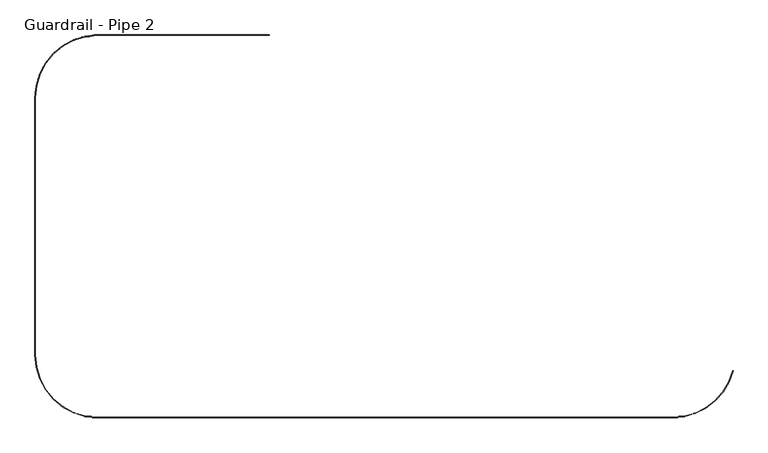
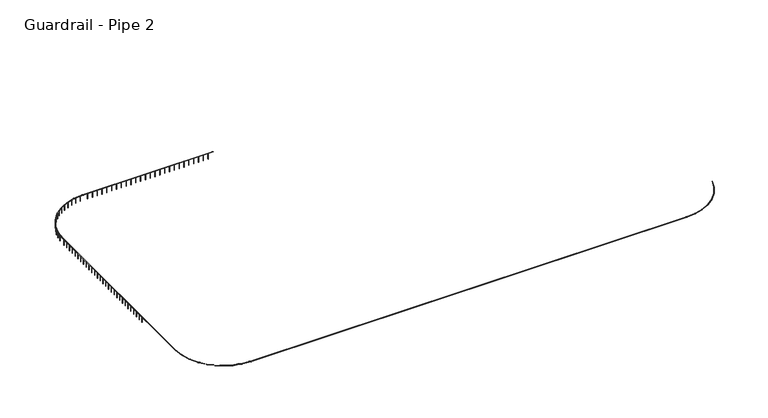
"""IFC4 building model written with IfcOpenShell, lengths in millimetres: railing geometry, Guardrail - Pipe 2."""

from ifc_helpers import new_model, si_unit, point, frame, frame_2d, origin, place, context, project, spatial, circle_curve, ellipse_curve, trimmed, segment, composite_curve, outline, extrude, source, transform, mapped, element, save
from ifc_brep_helpers import plane_surface, cylinder_surface, revolved_surface, advanced_brep


def guardrail_pipe_2_8372ee9f(model_context):
    return source(origin(), model_context, "Body", "SolidModel", [
        advanced_brep(
        [(238653.4254676, -510115.3580223, 5010.15), (244458.6904186, -505633.7852375, 5010.15), (244495.5492437, -505643.4308072, 5010.15), (238653.4254676, -510153.4580223, 5010.15), (177483.8754676, -504114.6080223, 5010.15), (183484.6254677, -510115.3580223, 5010.15), (183484.6254677, -510153.4580223, 5010.15), (177445.7754676, -504114.6080223, 5010.15), (177445.7754676, -479425.8080224, 5010.15), (177483.8754676, -479425.8080224, 5010.15), (183484.6254676, -473425.0580223, 5010.15), (183484.6254676, -473386.9580223, 5010.15), (199943.8254676, -473386.9580223, 5010.15), (199943.8254676, -473425.0580223, 5010.15)],
        [
            (0, 1, circle_curve(frame((238653.4254676, -504114.6080223, 5010.15), z_axis=(0.0, 0.0, 1.0), x_axis=(0.9674232305966814, -0.25316455696222584, 0.0)), 6000.75)),
            (1, 2, circle_curve(frame((244477.1198312, -505638.6080223, 5010.15), z_axis=(-0.253164556962237, -0.9674232305966786, 0.0), x_axis=(-0.9674232305966786, 0.253164556962237, 0.0)), 19.05)),
            (2, 3, circle_curve(frame((238653.4254676, -504114.6080223, 5010.15), z_axis=(0.0, 0.0, -1.0), x_axis=(0.9674232305966814, -0.25316455696222584, 0.0)), 6038.85)),
            (3, 0, circle_curve(frame((238653.4254676, -510134.4080223, 5010.15), z_axis=(0.9999999999999999, 0.0, 0.0), x_axis=(0.0, 0.9999999999999999, 0.0)), 19.05)),
            (2, 1, circle_curve(frame((244477.1198312, -505638.6080223, 5010.15), z_axis=(-0.25316455696223694, -0.9674232305966786, 0.0), x_axis=(-0.9674232305966786, 0.25316455696223694, 0.0)), 19.05)),
            (0, 3, circle_curve(frame((238653.4254676, -510134.4080223, 5010.15), z_axis=(1.0, 0.0, 0.0), x_axis=(0.0, 1.0, 0.0)), 19.05)),
            (4, 5, circle_curve(frame((183484.6254677, -504114.6080223, 5010.15), z_axis=(0.0, 0.0, 1.0), x_axis=(0.0, -1.0, 0.0)), 6000.75)),
            (5, 6, circle_curve(frame((183484.6254677, -510134.4080223, 5010.15), z_axis=(-1.0, 0.0, 0.0), x_axis=(0.0, 1.0, 0.0)), 19.05)),
            (6, 7, circle_curve(frame((183484.6254677, -504114.6080223, 5010.15), z_axis=(0.0, 0.0, -1.0), x_axis=(0.0, -1.0, 0.0)), 6038.85)),
            (7, 4, circle_curve(frame((177464.8254676, -504114.6080223, 5010.15), z_axis=(0.0, -1.0, 0.0), x_axis=(1.0, 0.0, 0.0)), 19.05)),
            (6, 5, circle_curve(frame((183484.6254677, -510134.4080223, 5010.15), z_axis=(-1.0, 0.0, 0.0), x_axis=(0.0, 1.0, 0.0)), 19.05)),
            (4, 7, circle_curve(frame((177464.8254676, -504114.6080223, 5010.15), z_axis=(0.0, -1.0, 0.0), x_axis=(1.0, 0.0, 0.0)), 19.05)),
            (7, 8),
            (8, 9, circle_curve(frame((177464.8254676, -479425.8080224, 5010.15), z_axis=(0.0, -1.0, 0.0), x_axis=(1.0, 0.0, 0.0)), 19.05)),
            (9, 4),
            (9, 8, circle_curve(frame((177464.8254676, -479425.8080224, 5010.15), z_axis=(0.0, -1.0, 0.0), x_axis=(1.0, 0.0, 0.0)), 19.05)),
            (10, 9, circle_curve(frame((183484.6254676, -479425.8080224, 5010.15), z_axis=(0.0, 0.0, 1.0), x_axis=(-1.0, 0.0, 0.0)), 6000.75)),
            (8, 11, circle_curve(frame((183484.6254676, -479425.8080224, 5010.15), z_axis=(0.0, 0.0, -1.0), x_axis=(-1.0, 0.0, 0.0)), 6038.85)),
            (11, 10, circle_curve(frame((183484.6254676, -473406.0080223, 5010.15), z_axis=(-1.0, 0.0, 0.0), x_axis=(0.0, -1.0, 0.0)), 19.05)),
            (10, 11, circle_curve(frame((183484.6254676, -473406.0080223, 5010.15), z_axis=(-1.0, 0.0, 0.0), x_axis=(0.0, -1.0, 0.0)), 19.05)),
            (12, 13, circle_curve(frame((199943.8254676, -473406.0080223, 5010.15), z_axis=(1.0, 0.0, 0.0), x_axis=(0.0, -1.0, 0.0)), 19.05)),
            (13, 12, circle_curve(frame((199943.8254676, -473406.0080223, 5010.15), z_axis=(1.0, 0.0, 0.0), x_axis=(0.0, -1.0, 0.0)), 19.05)),
            (11, 12),
            (13, 10),
            (3, 6),
            (5, 0),
        ],
        [
            revolved_surface(trimmed(ellipse_curve(frame((244477.1198312, -505638.6080223, 5010.15), z_axis=(0.25316455696222584, 0.9674232305966814, 0.0), x_axis=(-0.9674232305966814, 0.25316455696222584, 0.0)), 19.05, 19.05), [point((244495.5492437, -505643.4308072, 5010.15))], [point((244458.6904186, -505633.7852375, 5010.15))], True, "CARTESIAN"), (238653.4254676, -504114.6080223, 5029.2), (0.0, 0.0, -1.0)),
            revolved_surface(trimmed(ellipse_curve(frame((244477.1198312, -505638.6080223, 5010.15), z_axis=(0.25316455696222584, 0.9674232305966814, 0.0), x_axis=(-0.9674232305966814, 0.25316455696222584, 0.0)), 19.05, 19.05), [point((244458.6904186, -505633.7852375, 5010.15))], [point((244495.5492437, -505643.4308072, 5010.15))], True, "CARTESIAN"), (238653.4254676, -504114.6080223, 5029.2), (0.0, 0.0, -1.0)),
            revolved_surface(trimmed(ellipse_curve(frame((183484.6254677, -510134.4080223, 5010.15), z_axis=(1.0, 0.0, 0.0), x_axis=(0.0, 1.0, 0.0)), 19.05, 19.05), [point((183484.6254677, -510153.4580223, 5010.15))], [point((183484.6254677, -510115.3580223, 5010.15))], True, "CARTESIAN"), (183484.6254677, -504114.6080223, 5029.2), (0.0, 0.0, -1.0)),
            revolved_surface(trimmed(ellipse_curve(frame((183484.6254677, -510134.4080223, 5010.15), z_axis=(1.0, 0.0, 0.0), x_axis=(0.0, 1.0, 0.0)), 19.05, 19.05), [point((183484.6254677, -510115.3580223, 5010.15))], [point((183484.6254677, -510153.4580223, 5010.15))], True, "CARTESIAN"), (183484.6254677, -504114.6080223, 5029.2), (0.0, 0.0, -1.0)),
            cylinder_surface(frame((177464.8254676, -504114.6080223, 5010.15), z_axis=(0.0, -1.0, 0.0), x_axis=(1.0, 0.0, 0.0)), 19.05),
            revolved_surface(trimmed(ellipse_curve(frame((177464.8254676, -479425.8080224, 5010.15), z_axis=(0.0, -1.0, 0.0), x_axis=(1.0, 0.0, 0.0)), 19.05, 19.05), [point((177445.7754676, -479425.8080224, 5010.15))], [point((177483.8754676, -479425.8080224, 5010.15))], True, "CARTESIAN"), (183484.6254676, -479425.8080224, 5029.2), (0.0, 0.0, -1.0)),
            revolved_surface(trimmed(ellipse_curve(frame((177464.8254676, -479425.8080224, 5010.15), z_axis=(0.0, -1.0, 0.0), x_axis=(1.0, 0.0, 0.0)), 19.05, 19.05), [point((177483.8754676, -479425.8080224, 5010.15))], [point((177445.7754676, -479425.8080224, 5010.15))], True, "CARTESIAN"), (183484.6254676, -479425.8080224, 5029.2), (0.0, 0.0, -1.0)),
            plane_surface(frame((199943.8254676, -473406.0080223, 5029.2), z_axis=(1.0, 0.0, 0.0), x_axis=(0.0, 1.0, 0.0))),
            cylinder_surface(frame((183484.6254676, -473406.0080223, 5010.15), z_axis=(-1.0, 0.0, 0.0), x_axis=(0.0, -1.0, 0.0)), 19.05),
            cylinder_surface(frame((238653.4254676, -510134.4080223, 5010.15), z_axis=(1.0, 0.0, 0.0), x_axis=(0.0, 1.0, 0.0)), 19.05),
            plane_surface(frame((244477.1198312, -505638.6080223, 5029.2), z_axis=(0.25316455696222584, 0.9674232305966814, 0.0), x_axis=(0.9674232305966814, -0.25316455696222584, 0.0))),
        ],
        [
            (0, [[1, 2, 3, 4]]),
            (1, [[-3, 5, -1, 6]]),
            (2, [[7, 8, 9, 10]]),
            (3, [[-9, 11, -7, 12]]),
            (4, [[-10, 13, 14, 15]]),
            (4, [[-12, -15, 16, -13]]),
            (5, [[17, -14, 18, 19]]),
            (6, [[-18, -16, -17, 20]]),
            (7, [[21, 22]]),
            (8, [[-19, 23, -22, 24]]),
            (8, [[-20, -24, -21, -23]]),
            (9, [[-4, 25, -8, 26]]),
            (9, [[-6, -26, -11, -25]]),
            (10, [[-2, -5]]),
        ],
    ),
        extrude(outline(composite_curve([segment(trimmed(circle_curve(frame_2d((199334.2254676, -473406.0080223)), 12.7), [point((199334.2254676, -473393.3080223))], [point((199334.2254676, -473418.7080223))], False, "CARTESIAN"), True, "CONTINUOUS"), segment(trimmed(circle_curve(frame_2d((199334.2254676, -473406.0080223)), 12.7), [point((199334.2254676, -473418.7080223))], [point((199334.2254676, -473393.3080223))], False, "CARTESIAN"), True, "CONTINUOUS")], self_intersect=False)), frame((0.0, 0.0, 4267.2), z_axis=(0.0, 0.0, 1.0), x_axis=(1.0, 0.0, 0.0)), (0.0, 0.0, 1.0), 723.9),
        extrude(outline(composite_curve([segment(trimmed(circle_curve(frame_2d((198724.6254676, -473406.0080223)), 12.7), [point((198724.6254676, -473393.3080223))], [point((198724.6254676, -473418.7080223))], False, "CARTESIAN"), True, "CONTINUOUS"), segment(trimmed(circle_curve(frame_2d((198724.6254676, -473406.0080223)), 12.7), [point((198724.6254676, -473418.7080223))], [point((198724.6254676, -473393.3080223))], False, "CARTESIAN"), True, "CONTINUOUS")], self_intersect=False)), frame((0.0, 0.0, 4267.2), z_axis=(0.0, 0.0, 1.0), x_axis=(1.0, 0.0, 0.0)), (0.0, 0.0, 1.0), 723.9),
        extrude(outline(composite_curve([segment(trimmed(circle_curve(frame_2d((198115.0254676, -473406.0080223)), 12.7), [point((198115.0254676, -473393.3080223))], [point((198115.0254676, -473418.7080223))], False, "CARTESIAN"), True, "CONTINUOUS"), segment(trimmed(circle_curve(frame_2d((198115.0254676, -473406.0080223)), 12.7), [point((198115.0254676, -473418.7080223))], [point((198115.0254676, -473393.3080223))], False, "CARTESIAN"), True, "CONTINUOUS")], self_intersect=False)), frame((0.0, 0.0, 4267.2), z_axis=(0.0, 0.0, 1.0), x_axis=(1.0, 0.0, 0.0)), (0.0, 0.0, 1.0), 723.9),
        extrude(outline(composite_curve([segment(trimmed(circle_curve(frame_2d((197505.4254676, -473406.0080223)), 12.7), [point((197505.4254676, -473393.3080223))], [point((197505.4254676, -473418.7080223))], False, "CARTESIAN"), True, "CONTINUOUS"), segment(trimmed(circle_curve(frame_2d((197505.4254676, -473406.0080223)), 12.7), [point((197505.4254676, -473418.7080223))], [point((197505.4254676, -473393.3080223))], False, "CARTESIAN"), True, "CONTINUOUS")], self_intersect=False)), frame((0.0, 0.0, 4267.2), z_axis=(0.0, 0.0, 1.0), x_axis=(1.0, 0.0, 0.0)), (0.0, 0.0, 1.0), 723.9),
        extrude(outline(composite_curve([segment(trimmed(circle_curve(frame_2d((196895.8254676, -473406.0080223)), 12.7), [point((196895.8254676, -473393.3080223))], [point((196895.8254676, -473418.7080223))], False, "CARTESIAN"), True, "CONTINUOUS"), segment(trimmed(circle_curve(frame_2d((196895.8254676, -473406.0080223)), 12.7), [point((196895.8254676, -473418.7080223))], [point((196895.8254676, -473393.3080223))], False, "CARTESIAN"), True, "CONTINUOUS")], self_intersect=False)), frame((0.0, 0.0, 4267.2), z_axis=(0.0, 0.0, 1.0), x_axis=(1.0, 0.0, 0.0)), (0.0, 0.0, 1.0), 723.9),
        extrude(outline(composite_curve([segment(trimmed(circle_curve(frame_2d((196286.2254676, -473406.0080223)), 12.7), [point((196286.2254676, -473393.3080223))], [point((196286.2254676, -473418.7080223))], False, "CARTESIAN"), True, "CONTINUOUS"), segment(trimmed(circle_curve(frame_2d((196286.2254676, -473406.0080223)), 12.7), [point((196286.2254676, -473418.7080223))], [point((196286.2254676, -473393.3080223))], False, "CARTESIAN"), True, "CONTINUOUS")], self_intersect=False)), frame((0.0, 0.0, 4267.2), z_axis=(0.0, 0.0, 1.0), x_axis=(1.0, 0.0, 0.0)), (0.0, 0.0, 1.0), 723.9),
        extrude(outline(composite_curve([segment(trimmed(circle_curve(frame_2d((195676.6254676, -473406.0080223)), 12.7), [point((195676.6254676, -473393.3080223))], [point((195676.6254676, -473418.7080223))], False, "CARTESIAN"), True, "CONTINUOUS"), segment(trimmed(circle_curve(frame_2d((195676.6254676, -473406.0080223)), 12.7), [point((195676.6254676, -473418.7080223))], [point((195676.6254676, -473393.3080223))], False, "CARTESIAN"), True, "CONTINUOUS")], self_intersect=False)), frame((0.0, 0.0, 4267.2), z_axis=(0.0, 0.0, 1.0), x_axis=(1.0, 0.0, 0.0)), (0.0, 0.0, 1.0), 723.9),
        extrude(outline(composite_curve([segment(trimmed(circle_curve(frame_2d((195067.0254676, -473406.0080223)), 12.7), [point((195067.0254676, -473393.3080223))], [point((195067.0254676, -473418.7080223))], False, "CARTESIAN"), True, "CONTINUOUS"), segment(trimmed(circle_curve(frame_2d((195067.0254676, -473406.0080223)), 12.7), [point((195067.0254676, -473418.7080223))], [point((195067.0254676, -473393.3080223))], False, "CARTESIAN"), True, "CONTINUOUS")], self_intersect=False)), frame((0.0, 0.0, 4267.2), z_axis=(0.0, 0.0, 1.0), x_axis=(1.0, 0.0, 0.0)), (0.0, 0.0, 1.0), 723.9),
        extrude(outline(composite_curve([segment(trimmed(circle_curve(frame_2d((194457.4254676, -473406.0080223)), 12.7), [point((194457.4254676, -473393.3080223))], [point((194457.4254676, -473418.7080223))], False, "CARTESIAN"), True, "CONTINUOUS"), segment(trimmed(circle_curve(frame_2d((194457.4254676, -473406.0080223)), 12.7), [point((194457.4254676, -473418.7080223))], [point((194457.4254676, -473393.3080223))], False, "CARTESIAN"), True, "CONTINUOUS")], self_intersect=False)), frame((0.0, 0.0, 4267.2), z_axis=(0.0, 0.0, 1.0), x_axis=(1.0, 0.0, 0.0)), (0.0, 0.0, 1.0), 723.9),
        extrude(outline(composite_curve([segment(trimmed(circle_curve(frame_2d((193847.8254676, -473406.0080223)), 12.7), [point((193847.8254676, -473393.3080223))], [point((193847.8254676, -473418.7080223))], False, "CARTESIAN"), True, "CONTINUOUS"), segment(trimmed(circle_curve(frame_2d((193847.8254676, -473406.0080223)), 12.7), [point((193847.8254676, -473418.7080223))], [point((193847.8254676, -473393.3080223))], False, "CARTESIAN"), True, "CONTINUOUS")], self_intersect=False)), frame((0.0, 0.0, 4267.2), z_axis=(0.0, 0.0, 1.0), x_axis=(1.0, 0.0, 0.0)), (0.0, 0.0, 1.0), 723.9),
        extrude(outline(composite_curve([segment(trimmed(circle_curve(frame_2d((193238.2254676, -473406.0080223)), 12.7), [point((193238.2254676, -473393.3080223))], [point((193238.2254676, -473418.7080223))], False, "CARTESIAN"), True, "CONTINUOUS"), segment(trimmed(circle_curve(frame_2d((193238.2254676, -473406.0080223)), 12.7), [point((193238.2254676, -473418.7080223))], [point((193238.2254676, -473393.3080223))], False, "CARTESIAN"), True, "CONTINUOUS")], self_intersect=False)), frame((0.0, 0.0, 4267.2), z_axis=(0.0, 0.0, 1.0), x_axis=(1.0, 0.0, 0.0)), (0.0, 0.0, 1.0), 723.9),
        extrude(outline(composite_curve([segment(trimmed(circle_curve(frame_2d((192628.6254676, -473406.0080223)), 12.7), [point((192628.6254676, -473393.3080223))], [point((192628.6254676, -473418.7080223))], False, "CARTESIAN"), True, "CONTINUOUS"), segment(trimmed(circle_curve(frame_2d((192628.6254676, -473406.0080223)), 12.7), [point((192628.6254676, -473418.7080223))], [point((192628.6254676, -473393.3080223))], False, "CARTESIAN"), True, "CONTINUOUS")], self_intersect=False)), frame((0.0, 0.0, 4267.2), z_axis=(0.0, 0.0, 1.0), x_axis=(1.0, 0.0, 0.0)), (0.0, 0.0, 1.0), 723.9),
        extrude(outline(composite_curve([segment(trimmed(circle_curve(frame_2d((192019.0254676, -473406.0080223)), 12.7), [point((192019.0254676, -473393.3080223))], [point((192019.0254676, -473418.7080223))], False, "CARTESIAN"), True, "CONTINUOUS"), segment(trimmed(circle_curve(frame_2d((192019.0254676, -473406.0080223)), 12.7), [point((192019.0254676, -473418.7080223))], [point((192019.0254676, -473393.3080223))], False, "CARTESIAN"), True, "CONTINUOUS")], self_intersect=False)), frame((0.0, 0.0, 4267.2), z_axis=(0.0, 0.0, 1.0), x_axis=(1.0, 0.0, 0.0)), (0.0, 0.0, 1.0), 723.9),
        extrude(outline(composite_curve([segment(trimmed(circle_curve(frame_2d((191409.4254676, -473406.0080223)), 12.7), [point((191409.4254676, -473393.3080223))], [point((191409.4254676, -473418.7080223))], False, "CARTESIAN"), True, "CONTINUOUS"), segment(trimmed(circle_curve(frame_2d((191409.4254676, -473406.0080223)), 12.7), [point((191409.4254676, -473418.7080223))], [point((191409.4254676, -473393.3080223))], False, "CARTESIAN"), True, "CONTINUOUS")], self_intersect=False)), frame((0.0, 0.0, 4267.2), z_axis=(0.0, 0.0, 1.0), x_axis=(1.0, 0.0, 0.0)), (0.0, 0.0, 1.0), 723.9),
        extrude(outline(composite_curve([segment(trimmed(circle_curve(frame_2d((190799.8254676, -473406.0080223)), 12.7), [point((190799.8254676, -473393.3080223))], [point((190799.8254676, -473418.7080223))], False, "CARTESIAN"), True, "CONTINUOUS"), segment(trimmed(circle_curve(frame_2d((190799.8254676, -473406.0080223)), 12.7), [point((190799.8254676, -473418.7080223))], [point((190799.8254676, -473393.3080223))], False, "CARTESIAN"), True, "CONTINUOUS")], self_intersect=False)), frame((0.0, 0.0, 4267.2), z_axis=(0.0, 0.0, 1.0), x_axis=(1.0, 0.0, 0.0)), (0.0, 0.0, 1.0), 723.9),
        extrude(outline(composite_curve([segment(trimmed(circle_curve(frame_2d((190190.2254676, -473406.0080223)), 12.7), [point((190190.2254676, -473393.3080223))], [point((190190.2254676, -473418.7080223))], False, "CARTESIAN"), True, "CONTINUOUS"), segment(trimmed(circle_curve(frame_2d((190190.2254676, -473406.0080223)), 12.7), [point((190190.2254676, -473418.7080223))], [point((190190.2254676, -473393.3080223))], False, "CARTESIAN"), True, "CONTINUOUS")], self_intersect=False)), frame((0.0, 0.0, 4267.2), z_axis=(0.0, 0.0, 1.0), x_axis=(1.0, 0.0, 0.0)), (0.0, 0.0, 1.0), 723.9),
        extrude(outline(composite_curve([segment(trimmed(circle_curve(frame_2d((189580.6254676, -473406.0080223)), 12.7), [point((189580.6254676, -473393.3080223))], [point((189580.6254676, -473418.7080223))], False, "CARTESIAN"), True, "CONTINUOUS"), segment(trimmed(circle_curve(frame_2d((189580.6254676, -473406.0080223)), 12.7), [point((189580.6254676, -473418.7080223))], [point((189580.6254676, -473393.3080223))], False, "CARTESIAN"), True, "CONTINUOUS")], self_intersect=False)), frame((0.0, 0.0, 4267.2), z_axis=(0.0, 0.0, 1.0), x_axis=(1.0, 0.0, 0.0)), (0.0, 0.0, 1.0), 723.9),
        extrude(outline(composite_curve([segment(trimmed(circle_curve(frame_2d((188971.0254676, -473406.0080223)), 12.7), [point((188971.0254676, -473393.3080223))], [point((188971.0254676, -473418.7080223))], False, "CARTESIAN"), True, "CONTINUOUS"), segment(trimmed(circle_curve(frame_2d((188971.0254676, -473406.0080223)), 12.7), [point((188971.0254676, -473418.7080223))], [point((188971.0254676, -473393.3080223))], False, "CARTESIAN"), True, "CONTINUOUS")], self_intersect=False)), frame((0.0, 0.0, 4267.2), z_axis=(0.0, 0.0, 1.0), x_axis=(1.0, 0.0, 0.0)), (0.0, 0.0, 1.0), 723.9),
        extrude(outline(composite_curve([segment(trimmed(circle_curve(frame_2d((188361.4254676, -473406.0080223)), 12.7), [point((188361.4254676, -473393.3080223))], [point((188361.4254676, -473418.7080223))], False, "CARTESIAN"), True, "CONTINUOUS"), segment(trimmed(circle_curve(frame_2d((188361.4254676, -473406.0080223)), 12.7), [point((188361.4254676, -473418.7080223))], [point((188361.4254676, -473393.3080223))], False, "CARTESIAN"), True, "CONTINUOUS")], self_intersect=False)), frame((0.0, 0.0, 4267.2), z_axis=(0.0, 0.0, 1.0), x_axis=(1.0, 0.0, 0.0)), (0.0, 0.0, 1.0), 723.9),
        extrude(outline(composite_curve([segment(trimmed(circle_curve(frame_2d((187751.8254676, -473406.0080223)), 12.7), [point((187751.8254676, -473393.3080223))], [point((187751.8254676, -473418.7080223))], False, "CARTESIAN"), True, "CONTINUOUS"), segment(trimmed(circle_curve(frame_2d((187751.8254676, -473406.0080223)), 12.7), [point((187751.8254676, -473418.7080223))], [point((187751.8254676, -473393.3080223))], False, "CARTESIAN"), True, "CONTINUOUS")], self_intersect=False)), frame((0.0, 0.0, 4267.2), z_axis=(0.0, 0.0, 1.0), x_axis=(1.0, 0.0, 0.0)), (0.0, 0.0, 1.0), 723.9),
        extrude(outline(composite_curve([segment(trimmed(circle_curve(frame_2d((187142.2254676, -473406.0080223)), 12.7), [point((187142.2254676, -473393.3080223))], [point((187142.2254676, -473418.7080223))], False, "CARTESIAN"), True, "CONTINUOUS"), segment(trimmed(circle_curve(frame_2d((187142.2254676, -473406.0080223)), 12.7), [point((187142.2254676, -473418.7080223))], [point((187142.2254676, -473393.3080223))], False, "CARTESIAN"), True, "CONTINUOUS")], self_intersect=False)), frame((0.0, 0.0, 4267.2), z_axis=(0.0, 0.0, 1.0), x_axis=(1.0, 0.0, 0.0)), (0.0, 0.0, 1.0), 723.9),
        extrude(outline(composite_curve([segment(trimmed(circle_curve(frame_2d((186532.6254676, -473406.0080223)), 12.7), [point((186532.6254676, -473393.3080223))], [point((186532.6254676, -473418.7080223))], False, "CARTESIAN"), True, "CONTINUOUS"), segment(trimmed(circle_curve(frame_2d((186532.6254676, -473406.0080223)), 12.7), [point((186532.6254676, -473418.7080223))], [point((186532.6254676, -473393.3080223))], False, "CARTESIAN"), True, "CONTINUOUS")], self_intersect=False)), frame((0.0, 0.0, 4267.2), z_axis=(0.0, 0.0, 1.0), x_axis=(1.0, 0.0, 0.0)), (0.0, 0.0, 1.0), 723.9),
        extrude(outline(composite_curve([segment(trimmed(circle_curve(frame_2d((185923.0254676, -473406.0080223)), 12.7), [point((185923.0254676, -473393.3080223))], [point((185923.0254676, -473418.7080223))], False, "CARTESIAN"), True, "CONTINUOUS"), segment(trimmed(circle_curve(frame_2d((185923.0254676, -473406.0080223)), 12.7), [point((185923.0254676, -473418.7080223))], [point((185923.0254676, -473393.3080223))], False, "CARTESIAN"), True, "CONTINUOUS")], self_intersect=False)), frame((0.0, 0.0, 4267.2), z_axis=(0.0, 0.0, 1.0), x_axis=(1.0, 0.0, 0.0)), (0.0, 0.0, 1.0), 723.9),
        extrude(outline(composite_curve([segment(trimmed(circle_curve(frame_2d((185313.4254676, -473406.0080223)), 12.7), [point((185313.4254676, -473393.3080223))], [point((185313.4254676, -473418.7080223))], False, "CARTESIAN"), True, "CONTINUOUS"), segment(trimmed(circle_curve(frame_2d((185313.4254676, -473406.0080223)), 12.7), [point((185313.4254676, -473418.7080223))], [point((185313.4254676, -473393.3080223))], False, "CARTESIAN"), True, "CONTINUOUS")], self_intersect=False)), frame((0.0, 0.0, 4267.2), z_axis=(0.0, 0.0, 1.0), x_axis=(1.0, 0.0, 0.0)), (0.0, 0.0, 1.0), 723.9),
        extrude(outline(composite_curve([segment(trimmed(circle_curve(frame_2d((184703.8254676, -473406.0080223)), 12.7), [point((184703.8254676, -473393.3080223))], [point((184703.8254676, -473418.7080223))], False, "CARTESIAN"), True, "CONTINUOUS"), segment(trimmed(circle_curve(frame_2d((184703.8254676, -473406.0080223)), 12.7), [point((184703.8254676, -473418.7080223))], [point((184703.8254676, -473393.3080223))], False, "CARTESIAN"), True, "CONTINUOUS")], self_intersect=False)), frame((0.0, 0.0, 4267.2), z_axis=(0.0, 0.0, 1.0), x_axis=(1.0, 0.0, 0.0)), (0.0, 0.0, 1.0), 723.9),
        extrude(outline(composite_curve([segment(trimmed(circle_curve(frame_2d((184094.2254676, -473406.0080223)), 12.7), [point((184094.2254676, -473393.3080223))], [point((184094.2254676, -473418.7080223))], False, "CARTESIAN"), True, "CONTINUOUS"), segment(trimmed(circle_curve(frame_2d((184094.2254676, -473406.0080223)), 12.7), [point((184094.2254676, -473418.7080223))], [point((184094.2254676, -473393.3080223))], False, "CARTESIAN"), True, "CONTINUOUS")], self_intersect=False)), frame((0.0, 0.0, 4267.2), z_axis=(0.0, 0.0, 1.0), x_axis=(1.0, 0.0, 0.0)), (0.0, 0.0, 1.0), 723.9),
        extrude(outline(composite_curve([segment(trimmed(circle_curve(frame_2d((183172.8852439, -473414.0853014)), 12.7), [point((183172.2275641, -473401.4023421))], [point((183173.5429237, -473426.7682608))], False, "CARTESIAN"), True, "CONTINUOUS"), segment(trimmed(circle_curve(frame_2d((183172.8852439, -473414.0853014)), 12.7), [point((183173.5429237, -473426.7682608))], [point((183172.2275641, -473401.4023421))], False, "CARTESIAN"), True, "CONTINUOUS")], self_intersect=False)), frame((0.0, 0.0, 4267.2), z_axis=(0.0, 0.0, 1.0), x_axis=(1.0, 0.0, 0.0)), (0.0, 0.0, 1.0), 723.9),
        extrude(outline(composite_curve([segment(trimmed(circle_curve(frame_2d((182566.7401954, -473476.3980796)), 12.7), [point((182564.8037286, -473463.8465818))], [point((182568.6766622, -473488.9495774))], False, "CARTESIAN"), True, "CONTINUOUS"), segment(trimmed(circle_curve(frame_2d((182566.7401954, -473476.3980796)), 12.7), [point((182568.6766622, -473488.9495774))], [point((182564.8037286, -473463.8465818))], False, "CARTESIAN"), True, "CONTINUOUS")], self_intersect=False)), frame((0.0, 0.0, 4267.2), z_axis=(0.0, 0.0, 1.0), x_axis=(1.0, 0.0, 0.0)), (0.0, 0.0, 1.0), 723.9),
        extrude(outline(composite_curve([segment(trimmed(circle_curve(frame_2d((181969.9998053, -473599.6685507)), 12.7), [point((181966.8043925, -473587.3771172))], [point((181973.1952181, -473611.9599842))], False, "CARTESIAN"), True, "CONTINUOUS"), segment(trimmed(circle_curve(frame_2d((181969.9998053, -473599.6685507)), 12.7), [point((181973.1952181, -473611.9599842))], [point((181966.8043925, -473587.3771172))], False, "CARTESIAN"), True, "CONTINUOUS")], self_intersect=False)), frame((0.0, 0.0, 4267.2), z_axis=(0.0, 0.0, 1.0), x_axis=(1.0, 0.0, 0.0)), (0.0, 0.0, 1.0), 723.9),
        extrude(outline(composite_curve([segment(trimmed(circle_curve(frame_2d((181388.7782796, -473782.6336847)), 12.7), [point((181384.3566611, -473770.7282537))], [point((181393.1998982, -473794.5391158))], False, "CARTESIAN"), True, "CONTINUOUS"), segment(trimmed(circle_curve(frame_2d((181388.7782796, -473782.6336847)), 12.7), [point((181393.1998982, -473794.5391158))], [point((181384.3566611, -473770.7282537))], False, "CARTESIAN"), True, "CONTINUOUS")], self_intersect=False)), frame((0.0, 0.0, 4267.2), z_axis=(0.0, 0.0, 1.0), x_axis=(1.0, 0.0, 0.0)), (0.0, 0.0, 1.0), 723.9),
        extrude(outline(composite_curve([segment(trimmed(circle_curve(frame_2d((180829.0308179, -474023.4188198)), 12.7), [point((180823.4282975, -474012.0213742))], [point((180834.6333382, -474034.8162653))], False, "CARTESIAN"), True, "CONTINUOUS"), segment(trimmed(circle_curve(frame_2d((180829.0308179, -474023.4188198)), 12.7), [point((180834.6333382, -474034.8162653))], [point((180823.4282975, -474012.0213742))], False, "CARTESIAN"), True, "CONTINUOUS")], self_intersect=False)), frame((0.0, 0.0, 4267.2), z_axis=(0.0, 0.0, 1.0), x_axis=(1.0, 0.0, 0.0)), (0.0, 0.0, 1.0), 723.9),
        extrude(outline(composite_curve([segment(trimmed(circle_curve(frame_2d((180296.4925962, -474319.5568697)), 12.7), [point((180289.7665774, -474308.7841879))], [point((180303.2186149, -474330.3295515))], False, "CARTESIAN"), True, "CONTINUOUS"), segment(trimmed(circle_curve(frame_2d((180296.4925962, -474319.5568697)), 12.7), [point((180303.2186149, -474330.3295515))], [point((180289.7665774, -474308.7841879))], False, "CARTESIAN"), True, "CONTINUOUS")], self_intersect=False)), frame((0.0, 0.0, 4267.2), z_axis=(0.0, 0.0, 1.0), x_axis=(1.0, 0.0, 0.0)), (0.0, 0.0, 1.0), 723.9),
        extrude(outline(composite_curve([segment(trimmed(circle_curve(frame_2d((179796.6200046, -474668.0136022)), 12.7), [point((179788.8394024, -474657.9760612))], [point((179804.4006068, -474678.0511431))], False, "CARTESIAN"), True, "CONTINUOUS"), segment(trimmed(circle_curve(frame_2d((179796.6200046, -474668.0136022)), 12.7), [point((179804.4006068, -474678.0511431))], [point((179788.8394024, -474657.9760612))], False, "CARTESIAN"), True, "CONTINUOUS")], self_intersect=False)), frame((0.0, 0.0, 4267.2), z_axis=(0.0, 0.0, 1.0), x_axis=(1.0, 0.0, 0.0)), (0.0, 0.0, 1.0), 723.9),
        extrude(outline(composite_curve([segment(trimmed(circle_curve(frame_2d((179334.534741, -475065.2187272)), 12.7), [point((179325.7792753, -475056.0191717))], [point((179343.2902067, -475074.4182827))], False, "CARTESIAN"), True, "CONTINUOUS"), segment(trimmed(circle_curve(frame_2d((179334.534741, -475065.2187272)), 12.7), [point((179343.2902067, -475074.4182827))], [point((179325.7792753, -475056.0191717))], False, "CARTESIAN"), True, "CONTINUOUS")], self_intersect=False)), frame((0.0, 0.0, 4267.2), z_axis=(0.0, 0.0, 1.0), x_axis=(1.0, 0.0, 0.0)), (0.0, 0.0, 1.0), 723.9),
        extrude(outline(composite_curve([segment(trimmed(circle_curve(frame_2d((178914.971334, -475507.1024785)), 12.7), [point((178905.3307135, -475498.8351673))], [point((178924.6119545, -475515.3697898))], False, "CARTESIAN"), True, "CONTINUOUS"), segment(trimmed(circle_curve(frame_2d((178914.971334, -475507.1024785)), 12.7), [point((178924.6119545, -475515.3697898))], [point((178905.3307135, -475498.8351673))], False, "CARTESIAN"), True, "CONTINUOUS")], self_intersect=False)), frame((0.0, 0.0, 4267.2), z_axis=(0.0, 0.0, 1.0), x_axis=(1.0, 0.0, 0.0)), (0.0, 0.0, 1.0), 723.9),
        extrude(outline(composite_curve([segment(trimmed(circle_curve(frame_2d((178542.228633, -475989.1373124)), 12.7), [point((178531.8016354, -475981.8869522))], [point((178552.6556305, -475996.3876725))], False, "CARTESIAN"), True, "CONTINUOUS"), segment(trimmed(circle_curve(frame_2d((178542.228633, -475989.1373124)), 12.7), [point((178552.6556305, -475996.3876725))], [point((178531.8016354, -475981.8869522))], False, "CARTESIAN"), True, "CONTINUOUS")], self_intersect=False)), frame((0.0, 0.0, 4267.2), z_axis=(0.0, 0.0, 1.0), x_axis=(1.0, 0.0, 0.0)), (0.0, 0.0, 1.0), 723.9),
        extrude(outline(composite_curve([segment(trimmed(circle_curve(frame_2d((178220.1257621, -476506.3842967)), 12.7), [point((178209.0192226, -476500.2251749))], [point((178231.2323015, -476512.5434184))], False, "CARTESIAN"), True, "CONTINUOUS"), segment(trimmed(circle_curve(frame_2d((178220.1257621, -476506.3842967)), 12.7), [point((178231.2323015, -476512.5434184))], [point((178209.0192226, -476500.2251749))], False, "CARTESIAN"), True, "CONTINUOUS")], self_intersect=False)), frame((0.0, 0.0, 4267.2), z_axis=(0.0, 0.0, 1.0), x_axis=(1.0, 0.0, 0.0)), (0.0, 0.0, 1.0), 723.9),
        extrude(outline(composite_curve([segment(trimmed(circle_curve(frame_2d((177951.9629894, -477053.5437154)), 12.7), [point((177940.2907057, -477048.5389384))], [point((177963.6352731, -477058.5484924))], False, "CARTESIAN"), True, "CONTINUOUS"), segment(trimmed(circle_curve(frame_2d((177951.9629894, -477053.5437154)), 12.7), [point((177963.6352731, -477058.5484924))], [point((177940.2907057, -477048.5389384))], False, "CARTESIAN"), True, "CONTINUOUS")], self_intersect=False)), frame((0.0, 0.0, 4267.2), z_axis=(0.0, 0.0, 1.0), x_axis=(1.0, 0.0, 0.0)), (0.0, 0.0, 1.0), 723.9),
        extrude(outline(composite_curve([segment(trimmed(circle_curve(frame_2d((177740.4879124, -477625.0093697)), 12.7), [point((177728.3694788, -477621.2102164))], [point((177752.6063461, -477628.808523))], False, "CARTESIAN"), True, "CONTINUOUS"), segment(trimmed(circle_curve(frame_2d((177740.4879124, -477625.0093697)), 12.7), [point((177752.6063461, -477628.808523))], [point((177728.3694788, -477621.2102164))], False, "CARTESIAN"), True, "CONTINUOUS")], self_intersect=False)), frame((0.0, 0.0, 4267.2), z_axis=(0.0, 0.0, 1.0), x_axis=(1.0, 0.0, 0.0)), (0.0, 0.0, 1.0), 723.9),
        extrude(outline(composite_curve([segment(trimmed(circle_curve(frame_2d((177587.8673063, -478214.9260187)), 12.7), [point((177575.4268882, -478212.3714153))], [point((177600.3077243, -478217.4806221))], False, "CARTESIAN"), True, "CONTINUOUS"), segment(trimmed(circle_curve(frame_2d((177587.8673063, -478214.9260187)), 12.7), [point((177600.3077243, -478217.4806221))], [point((177575.4268882, -478212.3714153))], False, "CARTESIAN"), True, "CONTINUOUS")], self_intersect=False)), frame((0.0, 0.0, 4267.2), z_axis=(0.0, 0.0, 1.0), x_axis=(1.0, 0.0, 0.0)), (0.0, 0.0, 1.0), 723.9),
        extrude(outline(composite_curve([segment(trimmed(circle_curve(frame_2d((177495.6649226, -478817.2493726)), 12.7), [point((177483.0299847, -478815.9654936))], [point((177508.2998605, -478818.5332516))], False, "CARTESIAN"), True, "CONTINUOUS"), segment(trimmed(circle_curve(frame_2d((177495.6649226, -478817.2493726)), 12.7), [point((177508.2998605, -478818.5332516))], [point((177483.0299847, -478815.9654936))], False, "CARTESIAN"), True, "CONTINUOUS")], self_intersect=False)), frame((0.0, 0.0, 4267.2), z_axis=(0.0, 0.0, 1.0), x_axis=(1.0, 0.0, 0.0)), (0.0, 0.0, 1.0), 723.9),
        extrude(outline(composite_curve([segment(trimmed(circle_curve(frame_2d((177464.8254676, -479730.6080223)), 12.7), [point((177452.1254676, -479730.6080223))], [point((177477.5254676, -479730.6080223))], False, "CARTESIAN"), True, "CONTINUOUS"), segment(trimmed(circle_curve(frame_2d((177464.8254676, -479730.6080223)), 12.7), [point((177477.5254676, -479730.6080223))], [point((177452.1254676, -479730.6080223))], False, "CARTESIAN"), True, "CONTINUOUS")], self_intersect=False)), frame((0.0, 0.0, 4267.2), z_axis=(0.0, 0.0, 1.0), x_axis=(1.0, 0.0, 0.0)), (0.0, 0.0, 1.0), 723.9),
        extrude(outline(composite_curve([segment(trimmed(circle_curve(frame_2d((177464.8254676, -480340.2080223)), 12.7), [point((177452.1254676, -480340.2080223))], [point((177477.5254676, -480340.2080223))], False, "CARTESIAN"), True, "CONTINUOUS"), segment(trimmed(circle_curve(frame_2d((177464.8254676, -480340.2080223)), 12.7), [point((177477.5254676, -480340.2080223))], [point((177452.1254676, -480340.2080223))], False, "CARTESIAN"), True, "CONTINUOUS")], self_intersect=False)), frame((0.0, 0.0, 4267.2), z_axis=(0.0, 0.0, 1.0), x_axis=(1.0, 0.0, 0.0)), (0.0, 0.0, 1.0), 723.9),
        extrude(outline(composite_curve([segment(trimmed(circle_curve(frame_2d((177464.8254676, -480949.8080223)), 12.7), [point((177452.1254676, -480949.8080223))], [point((177477.5254676, -480949.8080223))], False, "CARTESIAN"), True, "CONTINUOUS"), segment(trimmed(circle_curve(frame_2d((177464.8254676, -480949.8080223)), 12.7), [point((177477.5254676, -480949.8080223))], [point((177452.1254676, -480949.8080223))], False, "CARTESIAN"), True, "CONTINUOUS")], self_intersect=False)), frame((0.0, 0.0, 4267.2), z_axis=(0.0, 0.0, 1.0), x_axis=(1.0, 0.0, 0.0)), (0.0, 0.0, 1.0), 723.9),
        extrude(outline(composite_curve([segment(trimmed(circle_curve(frame_2d((177464.8254676, -481559.4080223)), 12.7), [point((177452.1254676, -481559.4080223))], [point((177477.5254676, -481559.4080223))], False, "CARTESIAN"), True, "CONTINUOUS"), segment(trimmed(circle_curve(frame_2d((177464.8254676, -481559.4080223)), 12.7), [point((177477.5254676, -481559.4080223))], [point((177452.1254676, -481559.4080223))], False, "CARTESIAN"), True, "CONTINUOUS")], self_intersect=False)), frame((0.0, 0.0, 4267.2), z_axis=(0.0, 0.0, 1.0), x_axis=(1.0, 0.0, 0.0)), (0.0, 0.0, 1.0), 723.9),
        extrude(outline(composite_curve([segment(trimmed(circle_curve(frame_2d((177464.8254676, -482169.0080223)), 12.7), [point((177452.1254676, -482169.0080223))], [point((177477.5254676, -482169.0080223))], False, "CARTESIAN"), True, "CONTINUOUS"), segment(trimmed(circle_curve(frame_2d((177464.8254676, -482169.0080223)), 12.7), [point((177477.5254676, -482169.0080223))], [point((177452.1254676, -482169.0080223))], False, "CARTESIAN"), True, "CONTINUOUS")], self_intersect=False)), frame((0.0, 0.0, 4267.2), z_axis=(0.0, 0.0, 1.0), x_axis=(1.0, 0.0, 0.0)), (0.0, 0.0, 1.0), 723.9),
        extrude(outline(composite_curve([segment(trimmed(circle_curve(frame_2d((177464.8254676, -482778.6080223)), 12.7), [point((177452.1254676, -482778.6080223))], [point((177477.5254676, -482778.6080223))], False, "CARTESIAN"), True, "CONTINUOUS"), segment(trimmed(circle_curve(frame_2d((177464.8254676, -482778.6080223)), 12.7), [point((177477.5254676, -482778.6080223))], [point((177452.1254676, -482778.6080223))], False, "CARTESIAN"), True, "CONTINUOUS")], self_intersect=False)), frame((0.0, 0.0, 4267.2), z_axis=(0.0, 0.0, 1.0), x_axis=(1.0, 0.0, 0.0)), (0.0, 0.0, 1.0), 723.9),
        extrude(outline(composite_curve([segment(trimmed(circle_curve(frame_2d((177464.8254676, -483388.2080223)), 12.7), [point((177452.1254676, -483388.2080223))], [point((177477.5254676, -483388.2080223))], False, "CARTESIAN"), True, "CONTINUOUS"), segment(trimmed(circle_curve(frame_2d((177464.8254676, -483388.2080223)), 12.7), [point((177477.5254676, -483388.2080223))], [point((177452.1254676, -483388.2080223))], False, "CARTESIAN"), True, "CONTINUOUS")], self_intersect=False)), frame((0.0, 0.0, 4267.2), z_axis=(0.0, 0.0, 1.0), x_axis=(1.0, 0.0, 0.0)), (0.0, 0.0, 1.0), 723.9),
        extrude(outline(composite_curve([segment(trimmed(circle_curve(frame_2d((177464.8254676, -483997.8080223)), 12.7), [point((177452.1254676, -483997.8080223))], [point((177477.5254676, -483997.8080223))], False, "CARTESIAN"), True, "CONTINUOUS"), segment(trimmed(circle_curve(frame_2d((177464.8254676, -483997.8080223)), 12.7), [point((177477.5254676, -483997.8080223))], [point((177452.1254676, -483997.8080223))], False, "CARTESIAN"), True, "CONTINUOUS")], self_intersect=False)), frame((0.0, 0.0, 4267.2), z_axis=(0.0, 0.0, 1.0), x_axis=(1.0, 0.0, 0.0)), (0.0, 0.0, 1.0), 723.9),
        extrude(outline(composite_curve([segment(trimmed(circle_curve(frame_2d((177464.8254676, -484607.4080223)), 12.7), [point((177452.1254676, -484607.4080223))], [point((177477.5254676, -484607.4080223))], False, "CARTESIAN"), True, "CONTINUOUS"), segment(trimmed(circle_curve(frame_2d((177464.8254676, -484607.4080223)), 12.7), [point((177477.5254676, -484607.4080223))], [point((177452.1254676, -484607.4080223))], False, "CARTESIAN"), True, "CONTINUOUS")], self_intersect=False)), frame((0.0, 0.0, 4267.2), z_axis=(0.0, 0.0, 1.0), x_axis=(1.0, 0.0, 0.0)), (0.0, 0.0, 1.0), 723.9),
        extrude(outline(composite_curve([segment(trimmed(circle_curve(frame_2d((177464.8254676, -485217.0080223)), 12.7), [point((177452.1254676, -485217.0080223))], [point((177477.5254676, -485217.0080223))], False, "CARTESIAN"), True, "CONTINUOUS"), segment(trimmed(circle_curve(frame_2d((177464.8254676, -485217.0080223)), 12.7), [point((177477.5254676, -485217.0080223))], [point((177452.1254676, -485217.0080223))], False, "CARTESIAN"), True, "CONTINUOUS")], self_intersect=False)), frame((0.0, 0.0, 4267.2), z_axis=(0.0, 0.0, 1.0), x_axis=(1.0, 0.0, 0.0)), (0.0, 0.0, 1.0), 723.9),
        extrude(outline(composite_curve([segment(trimmed(circle_curve(frame_2d((177464.8254676, -485826.6080223)), 12.7), [point((177452.1254676, -485826.6080223))], [point((177477.5254676, -485826.6080223))], False, "CARTESIAN"), True, "CONTINUOUS"), segment(trimmed(circle_curve(frame_2d((177464.8254676, -485826.6080223)), 12.7), [point((177477.5254676, -485826.6080223))], [point((177452.1254676, -485826.6080223))], False, "CARTESIAN"), True, "CONTINUOUS")], self_intersect=False)), frame((0.0, 0.0, 4267.2), z_axis=(0.0, 0.0, 1.0), x_axis=(1.0, 0.0, 0.0)), (0.0, 0.0, 1.0), 723.9),
        extrude(outline(composite_curve([segment(trimmed(circle_curve(frame_2d((177464.8254676, -486436.2080223)), 12.7), [point((177452.1254676, -486436.2080223))], [point((177477.5254676, -486436.2080223))], False, "CARTESIAN"), True, "CONTINUOUS"), segment(trimmed(circle_curve(frame_2d((177464.8254676, -486436.2080223)), 12.7), [point((177477.5254676, -486436.2080223))], [point((177452.1254676, -486436.2080223))], False, "CARTESIAN"), True, "CONTINUOUS")], self_intersect=False)), frame((0.0, 0.0, 4267.2), z_axis=(0.0, 0.0, 1.0), x_axis=(1.0, 0.0, 0.0)), (0.0, 0.0, 1.0), 723.9),
        extrude(outline(composite_curve([segment(trimmed(circle_curve(frame_2d((177464.8254676, -487045.8080223)), 12.7), [point((177452.1254676, -487045.8080223))], [point((177477.5254676, -487045.8080223))], False, "CARTESIAN"), True, "CONTINUOUS"), segment(trimmed(circle_curve(frame_2d((177464.8254676, -487045.8080223)), 12.7), [point((177477.5254676, -487045.8080223))], [point((177452.1254676, -487045.8080223))], False, "CARTESIAN"), True, "CONTINUOUS")], self_intersect=False)), frame((0.0, 0.0, 4267.2), z_axis=(0.0, 0.0, 1.0), x_axis=(1.0, 0.0, 0.0)), (0.0, 0.0, 1.0), 723.9),
        extrude(outline(composite_curve([segment(trimmed(circle_curve(frame_2d((177464.8254676, -487655.4080223)), 12.7), [point((177452.1254676, -487655.4080223))], [point((177477.5254676, -487655.4080223))], False, "CARTESIAN"), True, "CONTINUOUS"), segment(trimmed(circle_curve(frame_2d((177464.8254676, -487655.4080223)), 12.7), [point((177477.5254676, -487655.4080223))], [point((177452.1254676, -487655.4080223))], False, "CARTESIAN"), True, "CONTINUOUS")], self_intersect=False)), frame((0.0, 0.0, 4267.2), z_axis=(0.0, 0.0, 1.0), x_axis=(1.0, 0.0, 0.0)), (0.0, 0.0, 1.0), 723.9),
        extrude(outline(composite_curve([segment(trimmed(circle_curve(frame_2d((177464.8254676, -488265.0080223)), 12.7), [point((177452.1254676, -488265.0080223))], [point((177477.5254676, -488265.0080223))], False, "CARTESIAN"), True, "CONTINUOUS"), segment(trimmed(circle_curve(frame_2d((177464.8254676, -488265.0080223)), 12.7), [point((177477.5254676, -488265.0080223))], [point((177452.1254676, -488265.0080223))], False, "CARTESIAN"), True, "CONTINUOUS")], self_intersect=False)), frame((0.0, 0.0, 4267.2), z_axis=(0.0, 0.0, 1.0), x_axis=(1.0, 0.0, 0.0)), (0.0, 0.0, 1.0), 723.9),
        extrude(outline(composite_curve([segment(trimmed(circle_curve(frame_2d((177464.8254676, -488874.6080223)), 12.7), [point((177452.1254676, -488874.6080223))], [point((177477.5254676, -488874.6080223))], False, "CARTESIAN"), True, "CONTINUOUS"), segment(trimmed(circle_curve(frame_2d((177464.8254676, -488874.6080223)), 12.7), [point((177477.5254676, -488874.6080223))], [point((177452.1254676, -488874.6080223))], False, "CARTESIAN"), True, "CONTINUOUS")], self_intersect=False)), frame((0.0, 0.0, 4267.2), z_axis=(0.0, 0.0, 1.0), x_axis=(1.0, 0.0, 0.0)), (0.0, 0.0, 1.0), 723.9),
        extrude(outline(composite_curve([segment(trimmed(circle_curve(frame_2d((177464.8254676, -489484.2080223)), 12.7), [point((177452.1254676, -489484.2080223))], [point((177477.5254676, -489484.2080223))], False, "CARTESIAN"), True, "CONTINUOUS"), segment(trimmed(circle_curve(frame_2d((177464.8254676, -489484.2080223)), 12.7), [point((177477.5254676, -489484.2080223))], [point((177452.1254676, -489484.2080223))], False, "CARTESIAN"), True, "CONTINUOUS")], self_intersect=False)), frame((0.0, 0.0, 4267.2), z_axis=(0.0, 0.0, 1.0), x_axis=(1.0, 0.0, 0.0)), (0.0, 0.0, 1.0), 723.9),
        extrude(outline(composite_curve([segment(trimmed(circle_curve(frame_2d((177464.8254676, -490093.8080223)), 12.7), [point((177452.1254676, -490093.8080223))], [point((177477.5254676, -490093.8080223))], False, "CARTESIAN"), True, "CONTINUOUS"), segment(trimmed(circle_curve(frame_2d((177464.8254676, -490093.8080223)), 12.7), [point((177477.5254676, -490093.8080223))], [point((177452.1254676, -490093.8080223))], False, "CARTESIAN"), True, "CONTINUOUS")], self_intersect=False)), frame((0.0, 0.0, 4267.2), z_axis=(0.0, 0.0, 1.0), x_axis=(1.0, 0.0, 0.0)), (0.0, 0.0, 1.0), 723.9),
        extrude(outline(composite_curve([segment(trimmed(circle_curve(frame_2d((177464.8254676, -490703.4080223)), 12.7), [point((177452.1254676, -490703.4080223))], [point((177477.5254676, -490703.4080223))], False, "CARTESIAN"), True, "CONTINUOUS"), segment(trimmed(circle_curve(frame_2d((177464.8254676, -490703.4080223)), 12.7), [point((177477.5254676, -490703.4080223))], [point((177452.1254676, -490703.4080223))], False, "CARTESIAN"), True, "CONTINUOUS")], self_intersect=False)), frame((0.0, 0.0, 4267.2), z_axis=(0.0, 0.0, 1.0), x_axis=(1.0, 0.0, 0.0)), (0.0, 0.0, 1.0), 723.9),
        extrude(outline(composite_curve([segment(trimmed(circle_curve(frame_2d((177464.8254676, -491313.0080223)), 12.7), [point((177452.1254676, -491313.0080223))], [point((177477.5254676, -491313.0080223))], False, "CARTESIAN"), True, "CONTINUOUS"), segment(trimmed(circle_curve(frame_2d((177464.8254676, -491313.0080223)), 12.7), [point((177477.5254676, -491313.0080223))], [point((177452.1254676, -491313.0080223))], False, "CARTESIAN"), True, "CONTINUOUS")], self_intersect=False)), frame((0.0, 0.0, 4267.2), z_axis=(0.0, 0.0, 1.0), x_axis=(1.0, 0.0, 0.0)), (0.0, 0.0, 1.0), 723.9),
        extrude(outline(composite_curve([segment(trimmed(circle_curve(frame_2d((177464.8254676, -491922.6080223)), 12.7), [point((177452.1254676, -491922.6080223))], [point((177477.5254676, -491922.6080223))], False, "CARTESIAN"), True, "CONTINUOUS"), segment(trimmed(circle_curve(frame_2d((177464.8254676, -491922.6080223)), 12.7), [point((177477.5254676, -491922.6080223))], [point((177452.1254676, -491922.6080223))], False, "CARTESIAN"), True, "CONTINUOUS")], self_intersect=False)), frame((0.0, 0.0, 4267.2), z_axis=(0.0, 0.0, 1.0), x_axis=(1.0, 0.0, 0.0)), (0.0, 0.0, 1.0), 723.9),
        extrude(outline(composite_curve([segment(trimmed(circle_curve(frame_2d((177464.8254676, -492532.2080223)), 12.7), [point((177452.1254676, -492532.2080223))], [point((177477.5254676, -492532.2080223))], False, "CARTESIAN"), True, "CONTINUOUS"), segment(trimmed(circle_curve(frame_2d((177464.8254676, -492532.2080223)), 12.7), [point((177477.5254676, -492532.2080223))], [point((177452.1254676, -492532.2080223))], False, "CARTESIAN"), True, "CONTINUOUS")], self_intersect=False)), frame((0.0, 0.0, 4267.2), z_axis=(0.0, 0.0, 1.0), x_axis=(1.0, 0.0, 0.0)), (0.0, 0.0, 1.0), 723.9),
        extrude(outline(composite_curve([segment(trimmed(circle_curve(frame_2d((177464.8254676, -493141.8080223)), 12.7), [point((177452.1254676, -493141.8080223))], [point((177477.5254676, -493141.8080223))], False, "CARTESIAN"), True, "CONTINUOUS"), segment(trimmed(circle_curve(frame_2d((177464.8254676, -493141.8080223)), 12.7), [point((177477.5254676, -493141.8080223))], [point((177452.1254676, -493141.8080223))], False, "CARTESIAN"), True, "CONTINUOUS")], self_intersect=False)), frame((0.0, 0.0, 4267.2), z_axis=(0.0, 0.0, 1.0), x_axis=(1.0, 0.0, 0.0)), (0.0, 0.0, 1.0), 723.9),
        extrude(outline(composite_curve([segment(trimmed(circle_curve(frame_2d((177464.8254676, -493751.4080223)), 12.7), [point((177452.1254676, -493751.4080223))], [point((177477.5254676, -493751.4080223))], False, "CARTESIAN"), True, "CONTINUOUS"), segment(trimmed(circle_curve(frame_2d((177464.8254676, -493751.4080223)), 12.7), [point((177477.5254676, -493751.4080223))], [point((177452.1254676, -493751.4080223))], False, "CARTESIAN"), True, "CONTINUOUS")], self_intersect=False)), frame((0.0, 0.0, 4267.2), z_axis=(0.0, 0.0, 1.0), x_axis=(1.0, 0.0, 0.0)), (0.0, 0.0, 1.0), 723.9),
        extrude(outline(composite_curve([segment(trimmed(circle_curve(frame_2d((177464.8254676, -494361.0080223)), 12.7), [point((177452.1254676, -494361.0080223))], [point((177477.5254676, -494361.0080223))], False, "CARTESIAN"), True, "CONTINUOUS"), segment(trimmed(circle_curve(frame_2d((177464.8254676, -494361.0080223)), 12.7), [point((177477.5254676, -494361.0080223))], [point((177452.1254676, -494361.0080223))], False, "CARTESIAN"), True, "CONTINUOUS")], self_intersect=False)), frame((0.0, 0.0, 4267.2), z_axis=(0.0, 0.0, 1.0), x_axis=(1.0, 0.0, 0.0)), (0.0, 0.0, 1.0), 723.9),
        extrude(outline(composite_curve([segment(trimmed(circle_curve(frame_2d((177464.8254676, -494970.6080223)), 12.7), [point((177452.1254676, -494970.6080223))], [point((177477.5254676, -494970.6080223))], False, "CARTESIAN"), True, "CONTINUOUS"), segment(trimmed(circle_curve(frame_2d((177464.8254676, -494970.6080223)), 12.7), [point((177477.5254676, -494970.6080223))], [point((177452.1254676, -494970.6080223))], False, "CARTESIAN"), True, "CONTINUOUS")], self_intersect=False)), frame((0.0, 0.0, 4267.2), z_axis=(0.0, 0.0, 1.0), x_axis=(1.0, 0.0, 0.0)), (0.0, 0.0, 1.0), 723.9),
        extrude(outline(composite_curve([segment(trimmed(circle_curve(frame_2d((177464.8254676, -495580.2080223)), 12.7), [point((177452.1254676, -495580.2080223))], [point((177477.5254676, -495580.2080223))], False, "CARTESIAN"), True, "CONTINUOUS"), segment(trimmed(circle_curve(frame_2d((177464.8254676, -495580.2080223)), 12.7), [point((177477.5254676, -495580.2080223))], [point((177452.1254676, -495580.2080223))], False, "CARTESIAN"), True, "CONTINUOUS")], self_intersect=False)), frame((0.0, 0.0, 4267.2), z_axis=(0.0, 0.0, 1.0), x_axis=(1.0, 0.0, 0.0)), (0.0, 0.0, 1.0), 723.9),
        extrude(outline(composite_curve([segment(trimmed(circle_curve(frame_2d((177464.8254676, -496189.8080223)), 12.7), [point((177452.1254676, -496189.8080223))], [point((177477.5254676, -496189.8080223))], False, "CARTESIAN"), True, "CONTINUOUS"), segment(trimmed(circle_curve(frame_2d((177464.8254676, -496189.8080223)), 12.7), [point((177477.5254676, -496189.8080223))], [point((177452.1254676, -496189.8080223))], False, "CARTESIAN"), True, "CONTINUOUS")], self_intersect=False)), frame((0.0, 0.0, 4267.2), z_axis=(0.0, 0.0, 1.0), x_axis=(1.0, 0.0, 0.0)), (0.0, 0.0, 1.0), 723.9),
        extrude(outline(composite_curve([segment(trimmed(circle_curve(frame_2d((177464.8254676, -496799.4080223)), 12.7), [point((177452.1254676, -496799.4080223))], [point((177477.5254676, -496799.4080223))], False, "CARTESIAN"), True, "CONTINUOUS"), segment(trimmed(circle_curve(frame_2d((177464.8254676, -496799.4080223)), 12.7), [point((177477.5254676, -496799.4080223))], [point((177452.1254676, -496799.4080223))], False, "CARTESIAN"), True, "CONTINUOUS")], self_intersect=False)), frame((0.0, 0.0, 4267.2), z_axis=(0.0, 0.0, 1.0), x_axis=(1.0, 0.0, 0.0)), (0.0, 0.0, 1.0), 723.9),
    ])


if __name__ == "__main__":
    model = new_model("IFC4")
    model_context = context("Model", 3, world=origin())
    ifc_project = project(units=[si_unit("LENGTHUNIT", "METRE", prefix="MILLI")], contexts=[model_context])
    site = spatial("IfcSite", under=ifc_project)
    building = spatial("IfcBuilding", under=site)
    placement = place(None, origin())
    guardrail_pipe_2_shape = guardrail_pipe_2_8372ee9f(model_context)
    element("IfcRailing", 1, ObjectType="Guardrail - Pipe 2", at=placement, inside=building, context=model_context, shape_type="MappedRepresentation", body=[
        mapped(guardrail_pipe_2_shape, transform((0.0, 0.0, 0.0), x_axis=(1.0, 0.0, 0.0), y_axis=(0.0, 1.0, 0.0), z_axis=(0.0, 0.0, 1.0))),
    ])
    save(model, "model.ifc")
